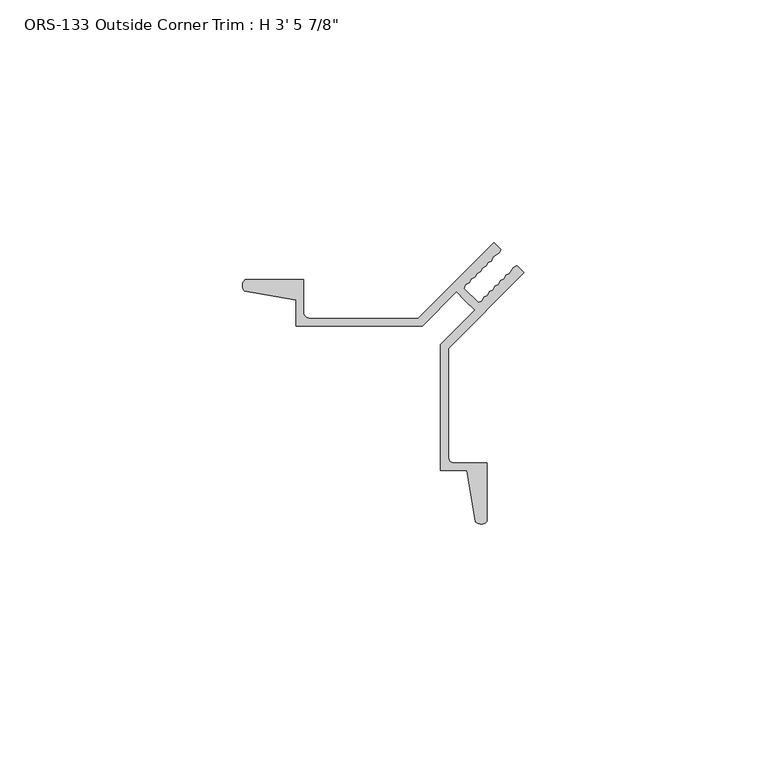
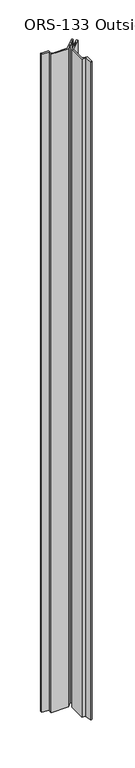
"""IFC4 building model written with IfcOpenShell, lengths in millimetres: proxy geometry."""

from ifc_helpers import new_model, si_unit, frame, origin, place, context, project, spatial, polyline, circle_curve, source, transform, mapped, element, save
from ifc_brep_helpers import plane_surface, cylinder_surface, revolved_surface, advanced_brep


def proxy_3b938438(model_context):
    return source(origin(), model_context, "Body", "AdvancedBrep", [
        advanced_brep(
        [(0.4587433, 48.0794832, 1063.625), (11.0348302, 46.2685091, 1063.625), (11.0348302, 40.8758522, 1063.625), (37.0871336, 40.8758522, 1063.625), (44.1418167, 47.9305343, 1063.625), (46.0361754, 46.0361755, 1063.625), (47.9305341, 44.1418167, 1063.625), (40.875851, 37.087134, 1063.625), (40.875851, 11.0348304, 1063.625), (46.2685074, 11.0348304, 1063.625), (48.079481, 0.4587434, 1063.625), (50.4008502, 0.5248271, 1063.625), (50.4008502, 12.6096302, 1063.625), (43.7206505, 12.6096302, 1063.625), (42.4506505, 13.8796304, 1063.625), (42.4506505, 36.2115882, 1063.625), (58.1000422, 51.8609787, 1063.625), (56.6508383, 53.3101827, 1063.625), (55.9184655, 52.9370202, 1063.625), (55.0416911, 51.7010357, 1063.625), (54.3093183, 51.3278731, 1063.625), (53.933741, 50.5930856, 1063.625), (53.2013682, 50.2199231, 1063.625), (52.7935114, 49.452856, 1063.625), (52.0611386, 49.0796935, 1063.625), (51.6532818, 48.3126264, 1063.625), (50.9209089, 47.9394639, 1063.625), (50.5130521, 47.1723968, 1063.625), (49.7806793, 46.7992343, 1063.625), (49.3728225, 46.0321673, 1063.625), (48.6404496, 45.6590047, 1063.625), (45.6590047, 48.6404498, 1063.625), (46.0321673, 49.3728226, 1063.625), (46.7992343, 49.7806794, 1063.625), (47.1723969, 50.5130522, 1063.625), (47.939464, 50.920909, 1063.625), (48.3126266, 51.6532818, 1063.625), (49.0796936, 52.0611386, 1063.625), (49.4528562, 52.7935114, 1063.625), (50.2199233, 53.2013682, 1063.625), (50.5930858, 53.933741, 1063.625), (51.3278734, 54.3093182, 1063.625), (51.7010359, 55.041691, 1063.625), (52.9370205, 55.9184653, 1063.625), (53.3101831, 56.6508381, 1063.625), (51.8578785, 58.1031427, 1063.625), (36.2053867, 42.4506516, 1063.625), (13.8796301, 42.4506516, 1063.625), (12.6096301, 43.7206521, 1063.625), (12.6096301, 50.4008521, 1063.625), (0.5248269, 50.4008521, 1063.625), (0.4587433, 48.0794832, 0.0), (0.5248269, 50.4008521, 0.0), (12.6096301, 50.4008521, 0.0), (12.6096301, 43.7206521, 0.0), (13.8796301, 42.4506521, 0.0), (36.2053867, 42.4506516, 0.0), (51.8578785, 58.1031427, 0.0), (53.3101831, 56.6508381, 0.0), (52.9370205, 55.9184653, 0.0), (51.7010359, 55.041691, 0.0), (51.3278734, 54.3093182, 0.0), (50.5930858, 53.933741, 0.0), (50.2199233, 53.2013682, 0.0), (49.4528562, 52.7935114, 0.0), (49.0796936, 52.0611386, 0.0), (48.3126266, 51.6532818, 0.0), (47.939464, 50.920909, 0.0), (47.1723969, 50.5130522, 0.0), (46.7992343, 49.7806794, 0.0), (46.0321673, 49.3728226, 0.0), (45.6590047, 48.6404498, 0.0), (48.6404496, 45.6590047, 0.0), (49.3728225, 46.0321673, 0.0), (49.7806793, 46.7992343, 0.0), (50.5130521, 47.1723968, 0.0), (50.9209089, 47.9394639, 0.0), (51.6532818, 48.3126264, 0.0), (52.0611386, 49.0796935, 0.0), (52.7935114, 49.452856, 0.0), (53.2013682, 50.2199231, 0.0), (53.933741, 50.5930856, 0.0), (54.3093183, 51.3278731, 0.0), (55.0416911, 51.7010357, 0.0), (55.9184655, 52.9370202, 0.0), (56.6508383, 53.3101827, 0.0), (58.1000422, 51.8609787, 0.0), (42.4506505, 36.2115882, 0.0), (42.4506505, 13.8796304, 0.0), (43.7206505, 12.6096304, 0.0), (50.4008502, 12.6096302, 0.0), (50.4008502, 0.5248271, 0.0), (48.079481, 0.4587434, 0.0), (46.2685074, 11.0348304, 0.0), (40.875851, 11.0348304, 0.0), (40.875851, 37.087134, 0.0), (47.9305341, 44.1418167, 0.0), (46.0361754, 46.0361755, 0.0), (44.1418167, 47.9305343, 0.0), (37.0871336, 40.8758522, 0.0), (11.0348302, 40.8758522, 0.0), (11.0348302, 46.2685091, 0.0)],
        [
            (0, 1),
            (1, 2),
            (2, 3),
            (3, 4),
            (4, 5),
            (5, 6),
            (6, 7),
            (7, 8),
            (8, 9),
            (9, 10),
            (10, 11, circle_curve(frame((49.2081738, 1.6155848, 1063.625), z_axis=(0.0, 0.0, 1.0), x_axis=(1.0, 0.0, 0.0)), 1.6162393)),
            (11, 12),
            (12, 13),
            (13, 14, circle_curve(frame((43.7206505, 13.8796304, 1063.625), z_axis=(0.0, 0.0, -1.0), x_axis=(1.0, 0.0, 0.0)), 1.27)),
            (14, 15),
            (15, 16),
            (16, 17),
            (17, 18),
            (18, 19),
            (19, 20),
            (20, 21),
            (21, 22),
            (22, 23),
            (23, 24),
            (24, 25),
            (25, 26),
            (26, 27),
            (27, 28),
            (28, 29),
            (29, 30),
            (30, 31),
            (31, 32),
            (32, 33),
            (33, 34),
            (34, 35),
            (35, 36),
            (36, 37),
            (37, 38),
            (38, 39),
            (39, 40),
            (40, 41),
            (41, 42),
            (42, 43),
            (43, 44),
            (44, 45),
            (45, 46),
            (46, 47),
            (47, 48, circle_curve(frame((13.8796301, 43.7206521, 1063.625), z_axis=(0.0, 0.0, -1.0), x_axis=(1.0, 0.0, 0.0)), 1.27)),
            (48, 49),
            (49, 50),
            (50, 0, circle_curve(frame((1.6155848, 49.2081759, 1063.625), z_axis=(0.0, 0.0, 1.0), x_axis=(1.0, 0.0, 0.0)), 1.6162393)),
            (51, 52, circle_curve(frame((1.6155848, 49.2081759, 0.0), z_axis=(0.0, 0.0, -1.0), x_axis=(1.0, 0.0, 0.0)), 1.6162393)),
            (52, 53),
            (53, 54),
            (54, 55, circle_curve(frame((13.8796301, 43.7206521, 0.0), z_axis=(0.0, 0.0, 1.0), x_axis=(1.0, 0.0, 0.0)), 1.27)),
            (55, 56),
            (56, 57),
            (57, 58),
            (58, 59),
            (59, 60),
            (60, 61),
            (61, 62),
            (62, 63),
            (63, 64),
            (64, 65),
            (65, 66),
            (66, 67),
            (67, 68),
            (68, 69),
            (69, 70),
            (70, 71),
            (71, 72),
            (72, 73),
            (73, 74),
            (74, 75),
            (75, 76),
            (76, 77),
            (77, 78),
            (78, 79),
            (79, 80),
            (80, 81),
            (81, 82),
            (82, 83),
            (83, 84),
            (84, 85),
            (85, 86),
            (86, 87),
            (87, 88),
            (88, 89, circle_curve(frame((43.7206505, 13.8796304, 0.0), z_axis=(0.0, 0.0, 1.0), x_axis=(1.0, 0.0, 0.0)), 1.27)),
            (89, 90),
            (90, 91),
            (91, 92, circle_curve(frame((49.2081738, 1.6155848, 0.0), z_axis=(0.0, 0.0, -1.0), x_axis=(1.0, 0.0, 0.0)), 1.6162393)),
            (92, 93),
            (93, 94),
            (94, 95),
            (95, 96),
            (96, 97),
            (97, 98),
            (98, 99),
            (99, 100),
            (100, 101),
            (101, 51),
            (0, 51),
            (101, 1),
            (100, 2),
            (99, 3),
            (98, 4),
            (97, 5),
            (96, 6),
            (95, 7),
            (94, 8),
            (93, 9),
            (92, 10),
            (91, 11),
            (90, 12),
            (89, 13),
            (88, 14),
            (87, 15),
            (86, 16),
            (85, 17),
            (84, 18),
            (83, 19),
            (82, 20),
            (81, 21),
            (80, 22),
            (79, 23),
            (78, 24),
            (77, 25),
            (76, 26),
            (75, 27),
            (74, 28),
            (73, 29),
            (72, 30),
            (71, 31),
            (70, 32),
            (69, 33),
            (68, 34),
            (67, 35),
            (66, 36),
            (65, 37),
            (64, 38),
            (63, 39),
            (62, 40),
            (61, 41),
            (60, 42),
            (59, 43),
            (58, 44),
            (57, 45),
            (56, 46),
            (55, 47),
            (54, 48),
            (53, 49),
            (52, 50),
        ],
        [
            plane_surface(frame((0.4587433, 48.0794832, 1063.625), z_axis=(0.0, 0.0, 1.0), x_axis=(0.985654355603023, -0.1687764535733278, 0.0))),
            plane_surface(frame((0.4587433, 48.0794832, 0.0), z_axis=(0.0, 0.0, -1.0), x_axis=(-0.985654355603023, 0.1687764535733278, 0.0))),
            plane_surface(frame((0.4587433, 48.0794832, 1063.625), z_axis=(-0.1687764535733278, -0.985654355603023, 0.0), x_axis=(0.0, 0.0, -1.0))),
            plane_surface(frame((11.0348302, 46.2685091, 1063.625), z_axis=(-1.0, 0.0, 0.0), x_axis=(0.0, 0.0, -1.0))),
            plane_surface(frame((11.0348302, 40.8758522, 1063.625), z_axis=(0.0, -1.0, 0.0), x_axis=(0.0, 0.0, -1.0))),
            plane_surface(frame((37.0871336, 40.8758522, 1063.625), z_axis=(0.7071067359396574, -0.7071068264334348, 0.0), x_axis=(0.0, 0.0, -1.0))),
            plane_surface(frame((44.1418167, 47.9305343, 1063.625), z_axis=(-0.707106797080899, -0.7071067652921958, 0.0), x_axis=(0.0, 0.0, -1.0))),
            plane_surface(frame((46.0361754, 46.0361755, 1063.625), z_axis=(-0.7071067970807615, -0.7071067652923332, 0.0), x_axis=(0.0, 0.0, -1.0))),
            plane_surface(frame((47.9305341, 44.1418167, 1063.625), z_axis=(-0.7071067652805612, 0.7071067970925337, 0.0), x_axis=(0.0, 0.0, -1.0))),
            plane_surface(frame((40.875851, 37.087134, 1063.625), z_axis=(-1.0, 0.0, 0.0), x_axis=(0.0, 0.0, -1.0))),
            plane_surface(frame((40.875851, 11.0348304, 1063.625), z_axis=(0.0, -1.0, 0.0), x_axis=(0.0, 0.0, -1.0))),
            plane_surface(frame((46.2685074, 11.0348304, 1063.625), z_axis=(-0.9856543635172283, -0.16877640735436825, 0.0), x_axis=(0.0, 0.0, -1.0))),
            cylinder_surface(frame((49.2081738, 1.6155848, 0.0), z_axis=(0.0, 0.0, 1.0), x_axis=(1.0, 0.0, 0.0)), 1.6162393),
            plane_surface(frame((50.4008502, 0.5248271, 1063.625), z_axis=(1.0, 0.0, 0.0), x_axis=(0.0, 0.0, -1.0))),
            plane_surface(frame((50.4008502, 12.6096302, 1063.625), z_axis=(0.0, 1.0, 0.0), x_axis=(0.0, 0.0, -1.0))),
            revolved_surface(polyline([(44.9906505, 13.8796304, 0.0), (44.9906505, 13.8796304, 1063.625)]), (43.7206505, 13.8796304, 0.0), (0.0, 0.0, -1.0)),
            plane_surface(frame((42.4506505, 13.8796304, 1063.625), z_axis=(1.0, 0.0, 0.0), x_axis=(0.0, 0.0, -1.0))),
            plane_surface(frame((42.4506505, 36.2115882, 1063.625), z_axis=(0.7071067537488306, -0.7071068086242634, 0.0), x_axis=(0.0, 0.0, -1.0))),
            plane_surface(frame((58.1000422, 51.8609787, 1063.625), z_axis=(0.707106797075973, 0.7071067652971217, 0.0), x_axis=(0.0, 0.0, -1.0))),
            plane_surface(frame((56.6508383, 53.3101827, 1063.625), z_axis=(-0.45399045967934204, 0.8910065446000607, 0.0), x_axis=(0.0, 0.0, -1.0))),
            plane_surface(frame((55.9184655, 52.9370202, 1063.625), z_axis=(-0.8156242297200437, 0.5785819871838266, 0.0), x_axis=(0.0, 0.0, -1.0))),
            plane_surface(frame((55.0416911, 51.7010357, 1063.625), z_axis=(-0.45399045967934154, 0.8910065446000609, 0.0), x_axis=(0.0, 0.0, -1.0))),
            plane_surface(frame((54.3093183, 51.3278731, 1063.625), z_axis=(-0.8904252386503002, 0.4551295358187118, 0.0), x_axis=(0.0, 0.0, -1.0))),
            plane_surface(frame((53.933741, 50.5930856, 1063.625), z_axis=(-0.4539904596793335, 0.8910065446000649, 0.0), x_axis=(0.0, 0.0, -1.0))),
            plane_surface(frame((53.2013682, 50.2199231, 1063.625), z_axis=(-0.8829475717511822, 0.4694716024837827, 0.0), x_axis=(0.0, 0.0, -1.0))),
            plane_surface(frame((52.7935114, 49.452856, 1063.625), z_axis=(-0.4539904596793374, 0.8910065446000629, 0.0), x_axis=(0.0, 0.0, -1.0))),
            plane_surface(frame((52.0611386, 49.0796935, 1063.625), z_axis=(-0.8829475717511777, 0.4694716024837913, 0.0), x_axis=(0.0, 0.0, -1.0))),
            plane_surface(frame((51.6532818, 48.3126264, 1063.625), z_axis=(-0.45399045967932955, 0.891006544600067, 0.0), x_axis=(0.0, 0.0, -1.0))),
            plane_surface(frame((50.9209089, 47.9394639, 1063.625), z_axis=(-0.8829475717511782, 0.46947160248379033, 0.0), x_axis=(0.0, 0.0, -1.0))),
            plane_surface(frame((50.5130521, 47.1723968, 1063.625), z_axis=(-0.4539904596793255, 0.891006544600069, 0.0), x_axis=(0.0, 0.0, -1.0))),
            plane_surface(frame((49.7806793, 46.7992343, 1063.625), z_axis=(-0.8829475717511837, 0.46947160248378017, 0.0), x_axis=(0.0, 0.0, -1.0))),
            plane_surface(frame((49.3728225, 46.0321673, 1063.625), z_axis=(-0.453990459679306, 0.891006544600079, 0.0), x_axis=(0.0, 0.0, -1.0))),
            plane_surface(frame((48.6404496, 45.6590047, 1063.625), z_axis=(0.7071067980787158, 0.707106764294379, 0.0), x_axis=(0.0, 0.0, -1.0))),
            plane_surface(frame((45.6590047, 48.6404498, 1063.625), z_axis=(0.8910065241883697, -0.4539904997395433, 0.0), x_axis=(0.0, 0.0, -1.0))),
            plane_surface(frame((46.0321673, 49.3728226, 1063.625), z_axis=(0.469471562785886, -0.8829475928589295, 0.0), x_axis=(0.0, 0.0, -1.0))),
            plane_surface(frame((46.7992343, 49.7806794, 1063.625), z_axis=(0.8910065241883616, -0.4539904997395594, 0.0), x_axis=(0.0, 0.0, -1.0))),
            plane_surface(frame((47.1723969, 50.5130522, 1063.625), z_axis=(0.4694715627858931, -0.8829475928589258, 0.0), x_axis=(0.0, 0.0, -1.0))),
            plane_surface(frame((47.939464, 50.920909, 1063.625), z_axis=(0.8910065241883616, -0.4539904997395594, 0.0), x_axis=(0.0, 0.0, -1.0))),
            plane_surface(frame((48.3126266, 51.6532818, 1063.625), z_axis=(0.4694715627858931, -0.8829475928589258, 0.0), x_axis=(0.0, 0.0, -1.0))),
            plane_surface(frame((49.0796936, 52.0611386, 1063.625), z_axis=(0.8910065241883575, -0.4539904997395672, 0.0), x_axis=(0.0, 0.0, -1.0))),
            plane_surface(frame((49.4528562, 52.7935114, 1063.625), z_axis=(0.4694715627858891, -0.882947592858928, 0.0), x_axis=(0.0, 0.0, -1.0))),
            plane_surface(frame((50.2199233, 53.2013682, 1063.625), z_axis=(0.8910065241883575, -0.4539904997395672, 0.0), x_axis=(0.0, 0.0, -1.0))),
            plane_surface(frame((50.5930858, 53.933741, 1063.625), z_axis=(0.45512949578461026, -0.8904252591132208, 0.0), x_axis=(0.0, 0.0, -1.0))),
            plane_surface(frame((51.3278734, 54.3093182, 1063.625), z_axis=(0.8910065241883575, -0.4539904997395672, 0.0), x_axis=(0.0, 0.0, -1.0))),
            plane_surface(frame((51.7010359, 55.041691, 1063.625), z_axis=(0.5785819505128309, -0.8156242557334648, 0.0), x_axis=(0.0, 0.0, -1.0))),
            plane_surface(frame((52.9370205, 55.9184653, 1063.625), z_axis=(0.8910065241883572, -0.4539904997395677, 0.0), x_axis=(0.0, 0.0, -1.0))),
            plane_surface(frame((53.3101831, 56.6508381, 1063.625), z_axis=(0.7071067959042094, 0.7071067664688854, 0.0), x_axis=(0.0, 0.0, -1.0))),
            plane_surface(frame((51.8578785, 58.1031427, 1063.625), z_axis=(-0.7071067652897347, 0.7071067970833601, 0.0), x_axis=(0.0, 0.0, -1.0))),
            plane_surface(frame((36.2053867, 42.4506516, 1063.625), z_axis=(0.0, 1.0, 0.0), x_axis=(0.0, 0.0, -1.0))),
            revolved_surface(polyline([(15.1496301, 43.7206521, 0.0), (15.1496301, 43.7206521, 1063.625)]), (13.8796301, 43.7206521, 0.0), (0.0, 0.0, -1.0)),
            plane_surface(frame((12.6096301, 43.7206521, 1063.625), z_axis=(1.0, 0.0, 0.0), x_axis=(0.0, 0.0, -1.0))),
            plane_surface(frame((12.6096301, 50.4008521, 1063.625), z_axis=(0.0, 1.0, 0.0), x_axis=(0.0, 0.0, -1.0))),
            cylinder_surface(frame((1.6155848, 49.2081759, 0.0), z_axis=(0.0, 0.0, 1.0), x_axis=(1.0, 0.0, 0.0)), 1.6162393),
        ],
        [
            (0, [[1, 2, 3, 4, 5, 6, 7, 8, 9, 10, 11, 12, 13, 14, 15, 16, 17, 18, 19, 20, 21, 22, 23, 24, 25, 26, 27, 28, 29, 30, 31, 32, 33, 34, 35, 36, 37, 38, 39, 40, 41, 42, 43, 44, 45, 46, 47, 48, 49, 50, 51]]),
            (1, [[52, 53, 54, 55, 56, 57, 58, 59, 60, 61, 62, 63, 64, 65, 66, 67, 68, 69, 70, 71, 72, 73, 74, 75, 76, 77, 78, 79, 80, 81, 82, 83, 84, 85, 86, 87, 88, 89, 90, 91, 92, 93, 94, 95, 96, 97, 98, 99, 100, 101, 102]]),
            (2, [[-1, 103, -102, 104]]),
            (3, [[-2, -104, -101, 105]]),
            (4, [[-3, -105, -100, 106]]),
            (5, [[-4, -106, -99, 107]]),
            (6, [[-5, -107, -98, 108]]),
            (7, [[-6, -108, -97, 109]]),
            (8, [[-7, -109, -96, 110]]),
            (9, [[-8, -110, -95, 111]]),
            (10, [[-9, -111, -94, 112]]),
            (11, [[-10, -112, -93, 113]]),
            (12, [[-11, -113, -92, 114]]),
            (13, [[-12, -114, -91, 115]]),
            (14, [[-13, -115, -90, 116]]),
            (15, [[-14, -116, -89, 117]]),
            (16, [[-15, -117, -88, 118]]),
            (17, [[-16, -118, -87, 119]]),
            (18, [[-17, -119, -86, 120]]),
            (19, [[-18, -120, -85, 121]]),
            (20, [[-19, -121, -84, 122]]),
            (21, [[-20, -122, -83, 123]]),
            (22, [[-21, -123, -82, 124]]),
            (23, [[-22, -124, -81, 125]]),
            (24, [[-23, -125, -80, 126]]),
            (25, [[-24, -126, -79, 127]]),
            (26, [[-25, -127, -78, 128]]),
            (27, [[-26, -128, -77, 129]]),
            (28, [[-27, -129, -76, 130]]),
            (29, [[-28, -130, -75, 131]]),
            (30, [[-29, -131, -74, 132]]),
            (31, [[-30, -132, -73, 133]]),
            (32, [[-31, -133, -72, 134]]),
            (33, [[-32, -134, -71, 135]]),
            (34, [[-33, -135, -70, 136]]),
            (35, [[-34, -136, -69, 137]]),
            (36, [[-35, -137, -68, 138]]),
            (37, [[-36, -138, -67, 139]]),
            (38, [[-37, -139, -66, 140]]),
            (39, [[-38, -140, -65, 141]]),
            (40, [[-39, -141, -64, 142]]),
            (41, [[-40, -142, -63, 143]]),
            (42, [[-41, -143, -62, 144]]),
            (43, [[-42, -144, -61, 145]]),
            (44, [[-43, -145, -60, 146]]),
            (45, [[-44, -146, -59, 147]]),
            (46, [[-45, -147, -58, 148]]),
            (47, [[-46, -148, -57, 149]]),
            (48, [[-47, -149, -56, 150]]),
            (49, [[-48, -150, -55, 151]]),
            (50, [[-49, -151, -54, 152]]),
            (51, [[-50, -152, -53, 153]]),
            (52, [[-51, -153, -52, -103]]),
        ],
    ),
    ])


if __name__ == "__main__":
    model = new_model("IFC4")
    model_context = context("Model", 3, world=origin())
    ifc_project = project(units=[si_unit("LENGTHUNIT", "METRE", prefix="MILLI")], contexts=[model_context])
    site = spatial("IfcSite", under=ifc_project)
    building = spatial("IfcBuilding", under=site)
    placement = place(None, origin())
    proxy_shape = proxy_3b938438(model_context)
    element("IfcBuildingElementProxy", 1, Name="ORS-133 Outside Corner Trim : H 3' 5 7/8\"", ObjectType="ORS-133 Outside Corner Trim : H 3' 5 7/8\"", at=placement, inside=building, context=model_context, shape_type="MappedRepresentation", body=[
        mapped(proxy_shape, transform((0.0, 0.0, 0.0), x_axis=(1.0, 0.0, 0.0), y_axis=(0.0, 1.0, 0.0), z_axis=(0.0, 0.0, 1.0))),
    ])
    save(model, "model.ifc")
